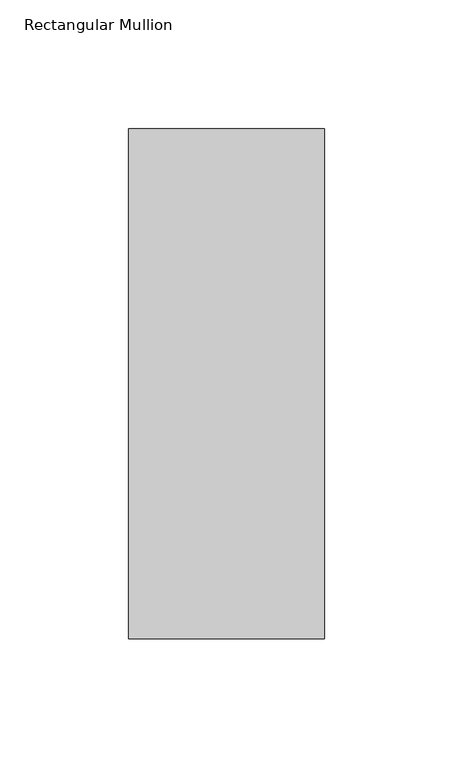
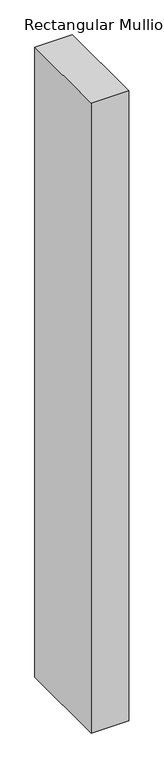
"""IFC4 building model written with IfcOpenShell, lengths in millimetres: member geometry, Rectangular Mullion."""

from ifc_helpers import new_model, si_unit, frame, origin, place, context, project, spatial, polyline, outline, extrude, source, transform, mapped, element, save


def rectangular_mullion_1fede7cc(model_context):
    return source(origin(), model_context, "Body", "SweptSolid", [
        extrude(outline(polyline([(38.1, -156.36875), (-38.1, -156.36875), (-38.1, 42.06875), (38.1, 42.06875), (38.1, -156.36875)])), frame((0.0, 0.0, -1351.75625), z_axis=(0.0, 0.0, 1.0), x_axis=(1.0, 0.0, 0.0)), (0.0, 0.0, 1.0), 1351.75625),
    ])


if __name__ == "__main__":
    model = new_model("IFC4")
    model_context = context("Model", 3, world=origin())
    ifc_project = project(units=[si_unit("LENGTHUNIT", "METRE", prefix="MILLI")], contexts=[model_context])
    site = spatial("IfcSite", under=ifc_project)
    building = spatial("IfcBuilding", under=site)
    placement = place(None, origin())
    rectangular_mullion_shape = rectangular_mullion_1fede7cc(model_context)
    element("IfcMember", 1, ObjectType="Rectangular Mullion", at=placement, inside=building, context=model_context, shape_type="MappedRepresentation", body=[
        mapped(rectangular_mullion_shape, transform((0.0, 0.0, 0.0), x_axis=(1.0, 0.0, 0.0), y_axis=(0.0, 1.0, 0.0), z_axis=(0.0, 0.0, 1.0))),
    ])
    save(model, "model.ifc")
